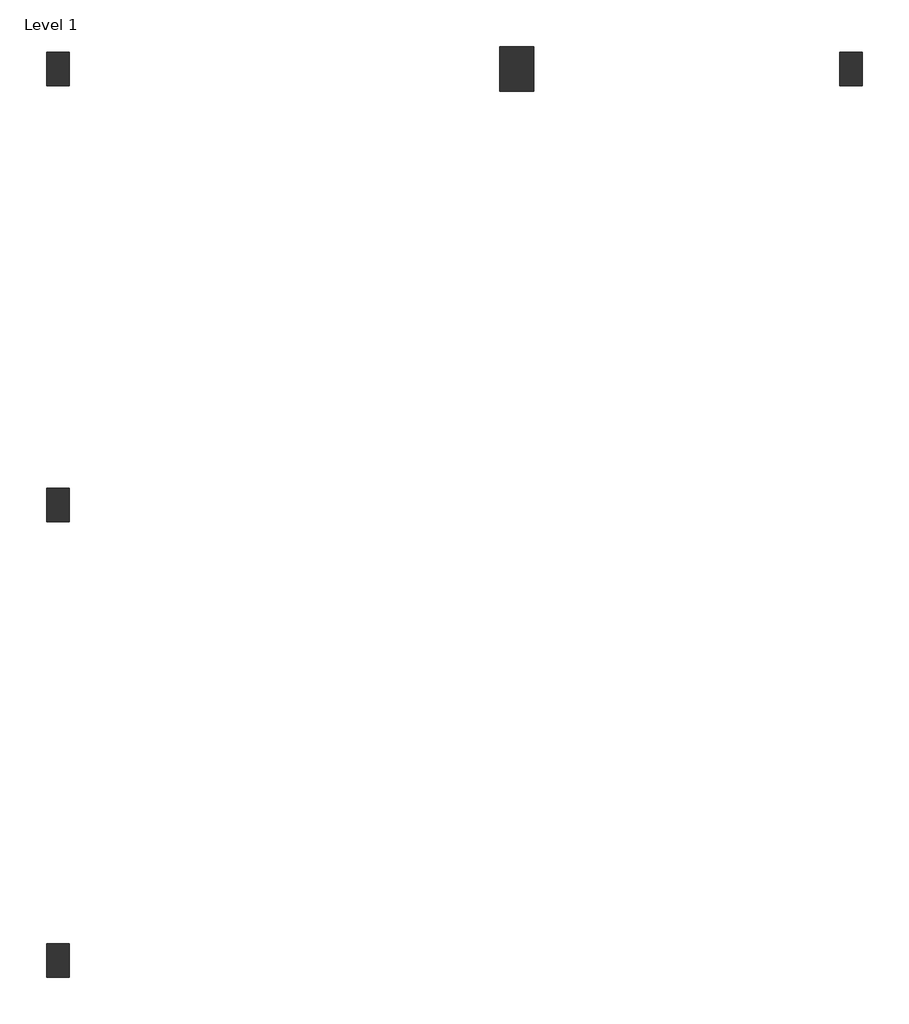
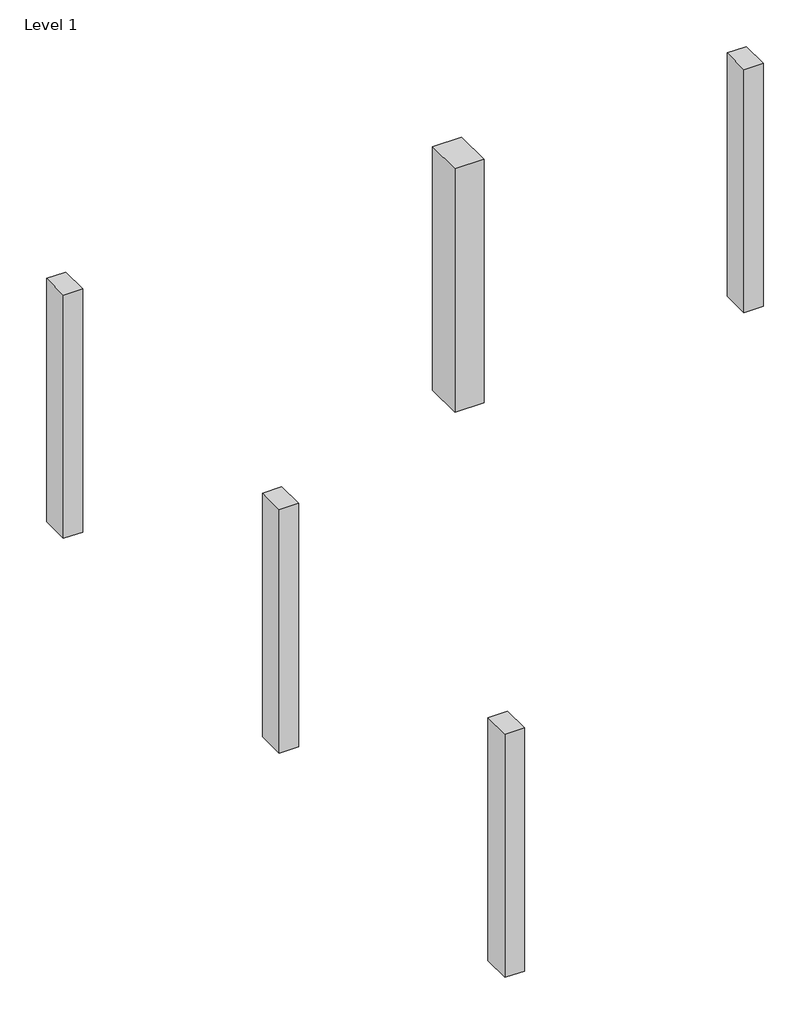
# One storey: 5 columns.
"""IFC4 building model written with IfcOpenShell, lengths in millimetres."""

from ifc_helpers import new_model, si_unit, origin, origin_with_axes, place, context, project, spatial, polyline, outline, extrude, element, save

model = new_model("IFC4")

# Units and contexts
model_context = context("Model", 3, world=origin())
ifc_project = project(units=[si_unit("LENGTHUNIT", "METRE", prefix="MILLI")], contexts=[model_context])

# Site, building, storey
site = spatial("IfcSite", under=ifc_project)
building = spatial("IfcBuilding", under=site)
storey = spatial("IfcBuildingStorey", under=building, Name="Level 1", Elevation=0.0)

# Columns
placement = place(None, origin())
element("IfcColumn", 1, ObjectType="M_Concrete-Rectangular-Column : 300 x 450mm", at=placement, inside=storey, context=model_context, shape_type="SweptSolid", body=[
    extrude(outline(polyline([(-11930.3234806, -6736.7423354), (-11930.3234806, -7186.7423354), (-12230.3234806, -7186.7423354), (-12230.3234806, -6736.7423354), (-11930.3234806, -6736.7423354)])), origin_with_axes(), (0.0, 0.0, 1.0), 4000.0),
])
element("IfcColumn", 2, ObjectType="M_Concrete-Rectangular-Column : 300 x 450mm", at=placement, inside=storey, context=model_context, shape_type="SweptSolid", body=[
    extrude(outline(polyline([(-11930.3234806, -655.0294007), (-11930.3234806, -1105.0294007), (-12230.3234806, -1105.0294007), (-12230.3234806, -655.0294007), (-11930.3234806, -655.0294007)])), origin_with_axes(), (0.0, 0.0, 1.0), 4000.0),
])
element("IfcColumn", 3, ObjectType="M_Concrete-Rectangular-Column : 300 x 450mm", at=placement, inside=storey, context=model_context, shape_type="SweptSolid", body=[
    extrude(outline(polyline([(-11930.3234806, 5165.5133302), (-11930.3234806, 4715.5133302), (-12230.3234806, 4715.5133302), (-12230.3234806, 5165.5133302), (-11930.3234806, 5165.5133302)])), origin_with_axes(), (0.0, 0.0, 1.0), 4000.0),
])
element("IfcColumn", 4, ObjectType="M_Concrete-Rectangular-Column : 300 x 450mm", at=placement, inside=storey, context=model_context, shape_type="SweptSolid", body=[
    extrude(outline(polyline([(-1341.4495329, 5165.5133302), (-1341.4495329, 4715.5133302), (-1641.4495329, 4715.5133302), (-1641.4495329, 5165.5133302), (-1341.4495329, 5165.5133302)])), origin_with_axes(), (0.0, 0.0, 1.0), 4000.0),
])
element("IfcColumn", 5, ObjectType="M_Concrete-Rectangular-Column : 450 x 600mm", at=placement, inside=storey, context=model_context, shape_type="SweptSolid", body=[
    extrude(outline(polyline([(-5729.304385, 5240.5133302), (-5729.304385, 4640.5133302), (-6179.304385, 4640.5133302), (-6179.304385, 5240.5133302), (-5729.304385, 5240.5133302)])), origin_with_axes(), (0.0, 0.0, 1.0), 4000.0),
])

save(model, "model.ifc")
